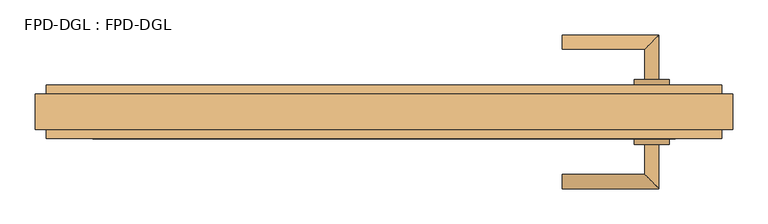
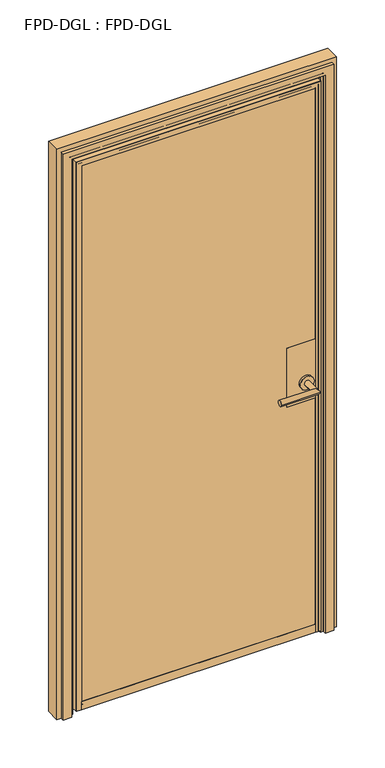
"""IFC4 building model written with IfcOpenShell, lengths in millimetres: door geometry, FPD-DGL : FPD-DGL."""

from ifc_helpers import new_model, si_unit, point, frame, frame_2d, origin, place, context, project, spatial, polyline, circle_curve, ellipse_curve, trimmed, segment, composite_curve, outline, extrude, source, transform, mapped, element, save
from ifc_brep_helpers import plane_surface, cylinder_surface, revolved_surface, advanced_brep


def fpd_dgl_fpd_dgl_efffc4ae(model_context):
    return source(origin(), model_context, "Body", "SolidModel", [
        advanced_brep(
        [(253.353479, -90.4685221, 965.2), (253.353479, -110.5404656, 965.2), (390.275063, -110.5404656, 965.2), (370.2031194, -90.4685221, 965.2), (370.2031194, -47.8342733, 965.2), (390.275063, -47.8342733, 965.2)],
        [
            (0, 1, circle_curve(frame((253.353479, -100.5044938, 965.2), z_axis=(-1.0, 0.0, 0.0), x_axis=(0.0, -1.0, 0.0)), 10.0359718)),
            (1, 0, circle_curve(frame((253.353479, -100.5044938, 965.2), z_axis=(-1.0, 0.0, 0.0), x_axis=(0.0, -1.0, 0.0)), 10.0359718)),
            (1, 2),
            (2, 3, ellipse_curve(frame((380.2390912, -100.5044938, 965.2), z_axis=(-0.7071067811865464, -0.7071067811865488, 0.0), x_axis=(-0.7071067811865487, 0.7071067811865464, 0.0)), 14.1930074, 10.0359718)),
            (3, 0),
            (3, 2, ellipse_curve(frame((380.2390912, -100.5044938, 965.2), z_axis=(-0.7071067811865464, -0.7071067811865488, 0.0), x_axis=(-0.7071067811865487, 0.7071067811865464, 0.0)), 14.1930074, 10.0359718)),
            (4, 5, circle_curve(frame((380.2390912, -47.8342733, 965.2), z_axis=(0.0, 1.0, 0.0), x_axis=(1.0, 0.0, 0.0)), 10.0359718)),
            (5, 4, circle_curve(frame((380.2390912, -47.8342733, 965.2), z_axis=(0.0, 1.0, 0.0), x_axis=(1.0, 0.0, 0.0)), 10.0359718)),
            (2, 5),
            (4, 3),
        ],
        [
            plane_surface(frame((253.353479, -100.5044938, 965.2), z_axis=(-1.0, 0.0, 0.0), x_axis=(0.0, 0.0, 1.0))),
            cylinder_surface(frame((253.353479, -100.5044938, 965.2), z_axis=(-1.0, 0.0, 0.0), x_axis=(0.0, -1.0, 0.0)), 10.0359718),
            plane_surface(frame((380.2390912, -47.8342733, 965.2), z_axis=(0.0, 1.0, 0.0), x_axis=(0.0, 0.0, 1.0))),
            cylinder_surface(frame((380.2390912, -100.5044938, 965.2), z_axis=(0.0, -1.0, 0.0), x_axis=(1.0, 0.0, 0.0)), 10.0359718),
        ],
        [
            (0, [[1, 2]]),
            (1, [[3, 4, 5, -2]]),
            (1, [[-5, 6, -3, -1]]),
            (2, [[7, 8]]),
            (3, [[9, -7, 10, -4]]),
            (3, [[-10, -8, -9, -6]]),
        ],
    ),
        advanced_brep(
        [(370.2031194, 45.029812, 965.2), (390.275063, 45.029812, 965.2), (390.275063, 107.7360043, 965.2), (370.2031194, 87.6640607, 965.2), (253.353479, 87.6640607, 965.2), (253.353479, 107.7360043, 965.2)],
        [
            (0, 1, circle_curve(frame((380.2390912, 45.029812, 965.2), z_axis=(0.0, -1.0, 0.0), x_axis=(1.0, 0.0, 0.0)), 10.0359718)),
            (1, 0, circle_curve(frame((380.2390912, 45.029812, 965.2), z_axis=(0.0, -1.0, 0.0), x_axis=(1.0, 0.0, 0.0)), 10.0359718)),
            (1, 2),
            (2, 3, ellipse_curve(frame((380.2390912, 97.7000325, 965.2), z_axis=(0.7071067811865487, -0.7071067811865464, 0.0), x_axis=(-0.7071067811865464, -0.7071067811865487, 0.0)), 14.1930074, 10.0359718)),
            (3, 0),
            (3, 2, ellipse_curve(frame((380.2390912, 97.7000325, 965.2), z_axis=(0.7071067811865487, -0.7071067811865464, 0.0), x_axis=(-0.7071067811865464, -0.7071067811865487, 0.0)), 14.1930074, 10.0359718)),
            (4, 5, circle_curve(frame((253.353479, 97.7000325, 965.2), z_axis=(-1.0, 0.0, 0.0), x_axis=(0.0, 1.0, 0.0)), 10.0359718)),
            (5, 4, circle_curve(frame((253.353479, 97.7000325, 965.2), z_axis=(-1.0, 0.0, 0.0), x_axis=(0.0, 1.0, 0.0)), 10.0359718)),
            (2, 5),
            (4, 3),
        ],
        [
            plane_surface(frame((380.2390912, 45.029812, 965.2), z_axis=(0.0, -1.0, 0.0), x_axis=(0.0, 0.0, 1.0))),
            cylinder_surface(frame((380.2390912, 45.029812, 965.2), z_axis=(0.0, -1.0, 0.0), x_axis=(1.0, 0.0, 0.0)), 10.0359718),
            plane_surface(frame((253.353479, 97.7000325, 965.2), z_axis=(-1.0, 0.0, 0.0), x_axis=(0.0, 0.0, 1.0))),
            cylinder_surface(frame((380.2390912, 97.7000325, 965.2), z_axis=(1.0, 0.0, 0.0), x_axis=(0.0, 1.0, 0.0)), 10.0359718),
        ],
        [
            (0, [[1, 2]]),
            (1, [[3, 4, 5, -2]]),
            (1, [[-5, 6, -3, -1]]),
            (2, [[7, 8]]),
            (3, [[9, -7, 10, -4]]),
            (3, [[-10, -8, -9, -6]]),
        ],
    ),
        extrude(outline(composite_curve([segment(trimmed(circle_curve(frame_2d((965.2, 380.2390912)), 24.60625), [point((965.2, 355.6328412))], [point((965.2, 404.8453412))], False, "CARTESIAN"), True, "CONTINUOUS"), segment(trimmed(circle_curve(frame_2d((965.2, 380.2390912)), 24.60625), [point((965.2, 404.8453412))], [point((965.2, 355.6328412))], False, "CARTESIAN"), True, "CONTINUOUS")], self_intersect=False)), frame((0.0, 36.7000013, 0.0), z_axis=(0.0, 1.0, 0.0), x_axis=(0.0, 0.0, 1.0)), (0.0, 0.0, 1.0), 8.3298107),
        extrude(outline(composite_curve([segment(trimmed(circle_curve(frame_2d((965.2, 380.2390912)), 24.60625), [point((965.2, 355.6328412))], [point((965.2, 404.8453412))], False, "CARTESIAN"), True, "CONTINUOUS"), segment(trimmed(circle_curve(frame_2d((965.2, 380.2390912)), 24.60625), [point((965.2, 404.8453412))], [point((965.2, 355.6328412))], False, "CARTESIAN"), True, "CONTINUOUS")], self_intersect=False)), frame((0.0, -47.8342733, 0.0), z_axis=(0.0, 1.0, 0.0), x_axis=(0.0, 0.0, 1.0)), (0.0, 0.0, 1.0), 8.3342763),
        extrude(outline(polyline([(413.7391512, 36.7000013), (413.7391512, 35.3000043), (313.7390386, 35.3000043), (313.7390386, 36.7000013), (413.7391512, 36.7000013)])), frame((0.0, 0.0, 893.55), z_axis=(0.0, 0.0, 1.0), x_axis=(1.0, 0.0, 0.0)), (0.0, 0.0, 1.0), 220.0),
        extrude(outline(polyline([(413.7391512, -38.1), (413.7391512, -39.4999971), (313.7390386, -39.4999971), (313.7390386, -38.1), (413.7391512, -38.1)])), frame((0.0, 0.0, 893.55), z_axis=(0.0, 0.0, 1.0), x_axis=(1.0, 0.0, 0.0)), (0.0, 0.0, 1.0), 220.0),
        extrude(outline(composite_curve([segment(polyline([(26.873593, 45.8749402), (26.873593, 35.2749613), (35.5735662, 35.2749613), (35.5735662, 43.0952791), (35.4735665, 44.0749434), (35.4735665, 45.8749402), (36.8735635, 45.8749402), (36.8735635, 16.6749984)]), True, "CONTINUOUS"), segment(trimmed(circle_curve(frame_2d((36.0735651, 16.6749984)), 0.7999984), [point((36.8735635, 16.6749984))], [point((36.0735651, 15.875))], False, "CARTESIAN"), True, "CONTINUOUS"), segment(polyline([(36.0735651, 15.875), (-39.3264365, 15.875), (-39.3264365, 45.8749398), (-38.0994361, 45.8749398), (-38.0994361, 44.0749434), (-38.1994358, 43.0952796), (-38.1994358, 35.7749604)]), True, "CONTINUOUS"), segment(trimmed(circle_curve(frame_2d((-37.6994368, 35.7749604)), 0.499999), [point((-38.1994358, 35.7749604))], [point((-37.6994368, 35.2749614))], True, "CARTESIAN"), True, "CONTINUOUS"), segment(polyline([(-37.6994368, 35.2749614), (-29.3264566, 35.2749614), (-29.3264566, 45.8749402), (26.873593, 45.8749402)]), True, "CONTINUOUS")], self_intersect=False)), frame((-413.7391512, 0.0, 0.0), z_axis=(1.0, 0.0, 0.0), x_axis=(0.0, 1.0, 0.0)), (0.0, 0.0, 1.0), 827.4783024),
        extrude(outline(polyline([(424.3353224, -38.1), (-424.3353224, -38.1), (-424.3353224, -30.1625), (424.3353224, -30.1625), (424.3353224, -38.1)])), frame((0.0, 0.0, 35.2749614), z_axis=(0.0, 0.0, 1.0), x_axis=(1.0, 0.0, 0.0)), (0.0, 0.0, 1.0), 2027.360361),
        extrude(outline(polyline([(424.3353224, 27.5360664), (-424.3353224, 27.5360664), (-424.3353224, 35.4735664), (424.3353224, 35.4735664), (424.3353224, 27.5360664)])), frame((0.0, 0.0, 35.2749614), z_axis=(0.0, 0.0, 1.0), x_axis=(1.0, 0.0, 0.0)), (0.0, 0.0, 1.0), 2027.360361),
        advanced_brep(
        [(443.7283146, 36.773661, 15.875), (443.7283146, -15.2497043, 15.875), (433.4136523, -15.2497043, 15.875), (433.4136523, -38.5992554, 15.875), (432.6139413, -39.3989664, 15.875), (413.7391512, -39.3989664, 15.875), (413.7391512, -38.0994361, 15.875), (424.3353223, -38.0994361, 15.875), (424.3353223, -29.4025787, 15.875), (413.7391512, -29.4025787, 15.875), (413.7391512, 26.7772734, 15.875), (424.3353224, 26.7772734, 15.875), (424.3353224, 35.4741304, 15.875), (413.7391512, 35.4741304, 15.875), (413.7391512, 36.773661, 15.875), (413.7391512, 36.773661, 2052.0391512), (-413.7391512, 36.773661, 2052.0391512), (-413.7391512, 36.773661, 15.875), (-443.7283146, 36.773661, 15.875), (-443.7283146, 36.773661, 2082.0283146), (443.7283146, 36.773661, 2082.0283146), (413.7391512, 35.4741304, 2052.0391512), (424.3353224, 35.4741304, 2062.6353224), (-424.3353224, 35.4741304, 2062.6353224), (-424.3353224, 35.4741304, 15.875), (-413.7391512, 35.4741304, 15.875), (-413.7391512, 35.4741304, 2052.0391512), (424.3353224, 26.7772734, 2062.6353224), (413.7391512, 26.7772734, 2052.0391512), (-413.7391512, 26.7772734, 2052.0391512), (-413.7391512, 26.7772734, 15.875), (-424.3353224, 26.7772734, 15.875), (-424.3353224, 26.7772734, 2062.6353224), (413.7391512, -29.4025787, 2052.0391512), (424.3353223, -29.4025787, 2062.6353223), (-424.3353223, -29.4025787, 2062.6353223), (-424.3353223, -29.4025787, 15.875), (-413.7391512, -29.4025787, 15.875), (-413.7391512, -29.4025787, 2052.0391512), (424.3353223, -38.0994361, 2062.6353223), (413.7391512, -38.0994361, 2052.0391512), (-413.7391512, -38.0994361, 2052.0391512), (-413.7391512, -38.0994361, 15.875), (-424.3353223, -38.0994361, 15.875), (-424.3353223, -38.0994361, 2062.6353223), (413.7391512, -39.3989664, 2052.0391512), (432.6139413, -39.3989664, 2070.9139413), (-432.6139413, -39.3989664, 2070.9139413), (-432.6139413, -39.3989664, 15.875), (-413.7391512, -39.3989664, 15.875), (-413.7391512, -39.3989664, 2052.0391512), (433.4136523, -38.5992554, 2071.7136523), (433.4136523, -15.2497043, 2071.7136523), (443.7283146, -15.2497043, 2082.0283146), (-443.7283146, -15.2497043, 2082.0283146), (-443.7283146, -15.2497043, 15.875), (-433.4136523, -15.2497043, 15.875), (-433.4136523, -15.2497043, 2071.7136523), (-433.4136523, -38.5992554, 15.875), (-433.4136523, -38.5992554, 2071.7136523)],
        [
            (0, 1),
            (1, 2),
            (2, 3),
            (3, 4, circle_curve(frame((432.6139413, -38.5992554, 15.875), z_axis=(0.0, 0.0, -1.0), x_axis=(0.0, 1.0, 0.0)), 0.799711)),
            (4, 5),
            (5, 6),
            (6, 7),
            (7, 8),
            (8, 9),
            (9, 10),
            (10, 11),
            (11, 12),
            (12, 13),
            (13, 14),
            (14, 0),
            (14, 15),
            (15, 16),
            (16, 17),
            (17, 18),
            (18, 19),
            (19, 20),
            (20, 0),
            (13, 21),
            (21, 15),
            (12, 22),
            (22, 23),
            (23, 24),
            (24, 25),
            (25, 26),
            (26, 21),
            (11, 27),
            (27, 22),
            (10, 28),
            (28, 29),
            (29, 30),
            (30, 31),
            (31, 32),
            (32, 27),
            (9, 33),
            (33, 28),
            (8, 34),
            (34, 35),
            (35, 36),
            (36, 37),
            (37, 38),
            (38, 33),
            (7, 39),
            (39, 34),
            (6, 40),
            (40, 41),
            (41, 42),
            (42, 43),
            (43, 44),
            (44, 39),
            (5, 45),
            (45, 40),
            (4, 46),
            (46, 47),
            (47, 48),
            (48, 49),
            (49, 50),
            (50, 45),
            (3, 51),
            (51, 46, ellipse_curve(frame((432.6139413, -38.5992554, 2070.9139413), z_axis=(0.7071067811865475, 0.0, -0.7071067811865475), x_axis=(-0.7071067811865474, 0.0, -0.7071067811865476)), 1.1309622, 0.799711)),
            (2, 52),
            (52, 51),
            (1, 53),
            (53, 54),
            (54, 55),
            (55, 56),
            (56, 57),
            (57, 52),
            (20, 53),
            (17, 25),
            (24, 31),
            (30, 37),
            (36, 43),
            (42, 49),
            (48, 58, circle_curve(frame((-432.6139413, -38.5992554, 15.875), z_axis=(0.0, 0.0, -1.0), x_axis=(0.0, 1.0, 0.0)), 0.799711)),
            (58, 56),
            (55, 18),
            (54, 19),
            (58, 59),
            (59, 57),
            (47, 59, ellipse_curve(frame((-432.6139413, -38.5992554, 2070.9139413), z_axis=(-0.7071067811865475, 0.0, -0.7071067811865475), x_axis=(-0.7071067811865474, 0.0, 0.7071067811865476)), 1.1309622, 0.799711)),
            (41, 50),
            (35, 44),
            (29, 38),
            (23, 32),
            (16, 26),
            (51, 59),
        ],
        [
            plane_surface(frame((495.3, -1.3129348, 15.875), z_axis=(0.0, 0.0, -1.0), x_axis=(0.0, 1.0, 0.0))),
            plane_surface(frame((443.7283146, 36.773661, 15.875), z_axis=(0.0, 1.0, 0.0), x_axis=(0.0, 0.0, 1.0))),
            plane_surface(frame((413.7391512, 36.773661, 15.875), z_axis=(-1.0, 0.0, 0.0), x_axis=(0.0, 0.0, 1.0))),
            plane_surface(frame((413.7391512, 35.4741304, 15.875), z_axis=(0.0, -1.0, 0.0), x_axis=(0.0, 0.0, 1.0))),
            plane_surface(frame((424.3353224, 35.4741304, 15.875), z_axis=(-1.0, 0.0, 0.0), x_axis=(0.0, 0.0, 1.0))),
            plane_surface(frame((424.3353224, 26.7772734, 15.875), z_axis=(0.0, 1.0, 0.0), x_axis=(0.0, 0.0, 1.0))),
            plane_surface(frame((413.7391512, 26.7772734, 15.875), z_axis=(-1.0, 0.0, 0.0), x_axis=(0.0, 0.0, 1.0))),
            plane_surface(frame((413.7391512, -29.4025787, 15.875), z_axis=(0.0, -1.0, 0.0), x_axis=(0.0, 0.0, 1.0))),
            plane_surface(frame((424.3353223, -29.4025787, 15.875), z_axis=(-1.0, 0.0, 0.0), x_axis=(0.0, 0.0, 1.0))),
            plane_surface(frame((424.3353223, -38.0994361, 15.875), z_axis=(0.0, 1.0, 0.0), x_axis=(0.0, 0.0, 1.0))),
            plane_surface(frame((413.7391512, -38.0994361, 15.875), z_axis=(-1.0, 0.0, 0.0), x_axis=(0.0, 0.0, 1.0))),
            plane_surface(frame((413.7391512, -39.3989664, 15.875), z_axis=(0.0, -1.0, 0.0), x_axis=(0.0, 0.0, 1.0))),
            cylinder_surface(frame((432.6139413, -38.5992554, 15.875), z_axis=(0.0, 0.0, -1.0), x_axis=(0.0, 1.0, 0.0)), 0.799711),
            plane_surface(frame((433.4136523, -38.5992554, 15.875), z_axis=(1.0, 0.0, 0.0), x_axis=(0.0, 0.0, 1.0))),
            plane_surface(frame((433.4136523, -15.2497043, 15.875), z_axis=(0.0, -1.0, 0.0), x_axis=(0.0, 0.0, 1.0))),
            plane_surface(frame((443.7283146, -15.2497043, 15.875), z_axis=(1.0, 0.0, 0.0), x_axis=(0.0, 0.0, 1.0))),
            plane_surface(frame((-495.3, -1.3129348, 15.875), z_axis=(0.0, 0.0, -1.0), x_axis=(0.0, 1.0, 0.0))),
            plane_surface(frame((-443.7283146, -15.2497043, 2082.0283146), z_axis=(-1.0, 0.0, 0.0), x_axis=(0.0, 0.0, -1.0))),
            plane_surface(frame((-433.4136523, -38.5992554, 2071.7136523), z_axis=(-1.0, 0.0, 0.0), x_axis=(0.0, 0.0, -1.0))),
            cylinder_surface(frame((-432.6139413, -38.5992554, 2133.6), z_axis=(0.0, 0.0, 1.0), x_axis=(0.0, 1.0, 0.0)), 0.799711),
            plane_surface(frame((-413.7391512, -38.0994361, 2052.0391512), z_axis=(1.0, 0.0, 0.0), x_axis=(0.0, 0.0, -1.0))),
            plane_surface(frame((-424.3353223, -29.4025787, 2062.6353223), z_axis=(1.0, 0.0, 0.0), x_axis=(0.0, 0.0, -1.0))),
            plane_surface(frame((-413.7391512, 26.7772734, 2052.0391512), z_axis=(1.0, 0.0, 0.0), x_axis=(0.0, 0.0, -1.0))),
            plane_surface(frame((-424.3353224, 35.4741304, 2062.6353224), z_axis=(1.0, 0.0, 0.0), x_axis=(0.0, 0.0, -1.0))),
            plane_surface(frame((-413.7391512, 36.773661, 2052.0391512), z_axis=(1.0, 0.0, 0.0), x_axis=(0.0, 0.0, -1.0))),
            plane_surface(frame((413.7391512, 36.773661, 2052.0391512), z_axis=(0.0, 0.0, -1.0), x_axis=(-1.0, 0.0, 0.0))),
            plane_surface(frame((424.3353224, 35.4741304, 2062.6353224), z_axis=(0.0, 0.0, -1.0), x_axis=(-1.0, 0.0, 0.0))),
            plane_surface(frame((413.7391512, 26.7772734, 2052.0391512), z_axis=(0.0, 0.0, -1.0), x_axis=(-1.0, 0.0, 0.0))),
            plane_surface(frame((424.3353223, -29.4025787, 2062.6353223), z_axis=(0.0, 0.0, -1.0), x_axis=(-1.0, 0.0, 0.0))),
            plane_surface(frame((413.7391512, -38.0994361, 2052.0391512), z_axis=(0.0, 0.0, -1.0), x_axis=(-1.0, 0.0, 0.0))),
            cylinder_surface(frame((495.3, -38.5992554, 2070.9139413), z_axis=(1.0, 0.0, 0.0), x_axis=(0.0, 1.0, 0.0)), 0.799711),
            plane_surface(frame((433.4136523, -38.5992554, 2071.7136523), z_axis=(0.0, 0.0, 1.0), x_axis=(-1.0, 0.0, 0.0))),
            plane_surface(frame((443.7283146, -15.2497043, 2082.0283146), z_axis=(0.0, 0.0, 1.0), x_axis=(-1.0, 0.0, 0.0))),
        ],
        [
            (0, [[1, 2, 3, 4, 5, 6, 7, 8, 9, 10, 11, 12, 13, 14, 15]]),
            (1, [[16, 17, 18, 19, 20, 21, 22, -15]]),
            (2, [[23, 24, -16, -14]]),
            (3, [[25, 26, 27, 28, 29, 30, -23, -13]]),
            (4, [[31, 32, -25, -12]]),
            (5, [[33, 34, 35, 36, 37, 38, -31, -11]]),
            (6, [[39, 40, -33, -10]]),
            (7, [[41, 42, 43, 44, 45, 46, -39, -9]]),
            (8, [[47, 48, -41, -8]]),
            (9, [[49, 50, 51, 52, 53, 54, -47, -7]]),
            (10, [[55, 56, -49, -6]]),
            (11, [[57, 58, 59, 60, 61, 62, -55, -5]]),
            (12, [[63, 64, -57, -4]]),
            (13, [[65, 66, -63, -3]]),
            (14, [[67, 68, 69, 70, 71, 72, -65, -2]]),
            (15, [[-22, 73, -67, -1]]),
            (16, [[-19, 74, -28, 75, -36, 76, -44, 77, -52, 78, -60, 79, 80, -70, 81]]),
            (17, [[-20, -81, -69, 82]]),
            (18, [[-71, -80, 83, 84]]),
            (19, [[-83, -79, -59, 85]]),
            (20, [[-61, -78, -51, 86]]),
            (21, [[-53, -77, -43, 87]]),
            (22, [[-45, -76, -35, 88]]),
            (23, [[-37, -75, -27, 89]]),
            (24, [[-29, -74, -18, 90]]),
            (25, [[-30, -90, -17, -24]]),
            (26, [[-38, -89, -26, -32]]),
            (27, [[-46, -88, -34, -40]]),
            (28, [[-54, -87, -42, -48]]),
            (29, [[-62, -86, -50, -56]]),
            (30, [[91, -85, -58, -64]]),
            (31, [[-72, -84, -91, -66]]),
            (32, [[-21, -82, -68, -73]]),
        ],
    ),
        advanced_brep(
        [(449.2825687, 36.7733949, 0.0), (479.4398079, 36.7733949, 0.0), (479.4306354, 24.077941, 0.0), (495.3, 24.077941, 0.0), (495.3, -26.7038106, 0.0), (479.4306354, -26.7038106, 0.0), (479.4306354, -39.3989331, 0.0), (449.2836545, -39.3989331, 0.0), (449.2836545, -27.2680787, 0.0), (448.7238697, -26.7082939, 0.0), (439.0164807, -26.7082939, 0.0), (438.4560471, -26.1478604, 0.0), (438.4560471, -19.4632053, 0.0), (439.0163882, -18.9028642, 0.0), (448.3580671, -18.9028642, 0.0), (448.3580671, -15.2860271, 0.0), (449.2825687, -15.2860271, 0.0), (449.2825687, -15.2860271, 2087.5825687), (449.2825687, 36.7733949, 2087.5825687), (448.3580671, -15.2860271, 2086.6580671), (-448.3580671, -15.2860271, 2086.6580671), (-448.3580671, -15.2860271, 0.0), (-449.2825687, -15.2860271, 0.0), (-449.2825687, -15.2860271, 2087.5825687), (448.3580671, -18.9028642, 2086.6580671), (439.0163882, -18.9028642, 2077.3163882), (-439.0163882, -18.9028642, 2077.3163882), (-439.0163882, -18.9028642, 0.0), (-448.3580671, -18.9028642, 0.0), (-448.3580671, -18.9028642, 2086.6580671), (438.4560471, -19.4632053, 2076.7560471), (438.4560471, -26.1478604, 2076.7560471), (439.0164807, -26.7082939, 2077.3164807), (448.7238697, -26.7082939, 2087.0238697), (-448.7238697, -26.7082939, 2087.0238697), (-448.7238697, -26.7082939, 0.0), (-439.0164807, -26.7082939, 0.0), (-439.0164807, -26.7082939, 2077.3164807), (449.2836545, -27.2680787, 2087.5836545), (449.2836545, -39.3989331, 2087.5836545), (-449.2825687, 36.7733949, 0.0), (-438.4560471, -19.4632053, 0.0), (-438.4560471, -26.1478604, 0.0), (-449.2836545, -27.2680787, 0.0), (-449.2836545, -39.3989331, 0.0), (-479.4306354, -39.3989331, 0.0), (-479.4306354, -26.7038106, 0.0), (-495.3, -26.7038106, 0.0), (-495.3, 24.077941, 0.0), (-479.4306354, 24.077941, 0.0), (-479.4398079, 36.7733949, 0.0), (-449.2836545, -39.3989331, 2087.5836545), (-449.2836545, -27.2680787, 2087.5836545), (-438.4560471, -26.1478604, 2076.7560471), (-438.4560471, -19.4632053, 2076.7560471), (-449.2825687, 36.7733949, 2087.5825687), (479.4306354, -39.3989331, 2117.7306354), (-479.4306354, -39.3989331, 2117.7306354), (479.4306354, -26.7038106, 2117.7306354), (495.3, -26.7038106, 2133.6), (-495.3, -26.7038106, 2133.6), (-479.4306354, -26.7038106, 2117.7306354), (495.3, 24.077941, 2133.6), (479.4306354, 24.077941, 2117.7306354), (-479.4306354, 24.077941, 2117.7306354), (-495.3, 24.077941, 2133.6), (479.4398079, 36.7733949, 2117.7398079), (-479.4398079, 36.7733949, 2117.7398079)],
        [
            (0, 1),
            (1, 2),
            (2, 3),
            (3, 4),
            (4, 5),
            (5, 6),
            (6, 7),
            (7, 8),
            (8, 9, circle_curve(frame((448.7238697, -27.2680787, 0.0), z_axis=(0.0, 0.0, 1.0), x_axis=(0.0, 1.0, 0.0)), 0.5597848)),
            (9, 10),
            (10, 11, circle_curve(frame((439.0164807, -26.1478604, 0.0), z_axis=(0.0, 0.0, -1.0), x_axis=(0.0, 1.0, 0.0)), 0.5604335)),
            (11, 12),
            (12, 13, circle_curve(frame((439.0163882, -19.4632053, 0.0), z_axis=(0.0, 0.0, -1.0), x_axis=(0.0, 1.0, 0.0)), 0.5603411)),
            (13, 14),
            (14, 15),
            (15, 16),
            (16, 0),
            (16, 17),
            (17, 18),
            (18, 0),
            (15, 19),
            (19, 20),
            (20, 21),
            (21, 22),
            (22, 23),
            (23, 17),
            (14, 24),
            (24, 19),
            (13, 25),
            (25, 26),
            (26, 27),
            (27, 28),
            (28, 29),
            (29, 24),
            (12, 30),
            (30, 25, ellipse_curve(frame((439.0163882, -19.4632053, 2077.3163882), z_axis=(0.7071067811865475, 0.0, -0.7071067811865475), x_axis=(-0.7071067811865474, 0.0, -0.7071067811865476)), 0.7924419, 0.5603411)),
            (11, 31),
            (31, 30),
            (10, 32),
            (32, 31, ellipse_curve(frame((439.0164807, -26.1478604, 2077.3164807), z_axis=(0.7071067811865475, 0.0, -0.7071067811865475), x_axis=(-0.7071067811865474, 0.0, -0.7071067811865476)), 0.7925727, 0.5604335)),
            (9, 33),
            (33, 34),
            (34, 35),
            (35, 36),
            (36, 37),
            (37, 32),
            (8, 38),
            (38, 33, ellipse_curve(frame((448.7238697, -27.2680787, 2087.0238697), z_axis=(-0.7071067811865475, 0.0, 0.7071067811865475), x_axis=(0.7071067811865474, 0.0, 0.7071067811865476)), 0.7916552, 0.5597848)),
            (7, 39),
            (39, 38),
            (40, 22),
            (21, 28),
            (27, 41, circle_curve(frame((-439.0163882, -19.4632053, 0.0), z_axis=(0.0, 0.0, -1.0), x_axis=(0.0, 1.0, 0.0)), 0.5603411)),
            (41, 42),
            (42, 36, circle_curve(frame((-439.0164807, -26.1478604, 0.0), z_axis=(0.0, 0.0, -1.0), x_axis=(0.0, 1.0, 0.0)), 0.5604335)),
            (35, 43, circle_curve(frame((-448.7238697, -27.2680787, 0.0), z_axis=(0.0, 0.0, 1.0), x_axis=(0.0, 1.0, 0.0)), 0.5597848)),
            (43, 44),
            (44, 45),
            (45, 46),
            (46, 47),
            (47, 48),
            (48, 49),
            (49, 50),
            (50, 40),
            (51, 44),
            (43, 52),
            (52, 51),
            (34, 52, ellipse_curve(frame((-448.7238697, -27.2680787, 2087.0238697), z_axis=(0.7071067811865475, 0.0, 0.7071067811865475), x_axis=(0.7071067811865474, 0.0, -0.7071067811865476)), 0.7916552, 0.5597848)),
            (42, 53),
            (53, 37, ellipse_curve(frame((-439.0164807, -26.1478604, 2077.3164807), z_axis=(-0.7071067811865475, 0.0, -0.7071067811865475), x_axis=(-0.7071067811865474, 0.0, 0.7071067811865476)), 0.7925727, 0.5604335)),
            (41, 54),
            (54, 53),
            (26, 54, ellipse_curve(frame((-439.0163882, -19.4632053, 2077.3163882), z_axis=(-0.7071067811865475, 0.0, -0.7071067811865475), x_axis=(-0.7071067811865474, 0.0, 0.7071067811865476)), 0.7924419, 0.5603411)),
            (20, 29),
            (40, 55),
            (55, 23),
            (55, 18),
            (30, 54),
            (31, 53),
            (38, 52),
            (39, 51),
            (6, 56),
            (56, 57),
            (57, 45),
            (5, 58),
            (58, 56),
            (4, 59),
            (59, 60),
            (60, 47),
            (46, 61),
            (61, 58),
            (3, 62),
            (62, 59),
            (2, 63),
            (63, 64),
            (64, 49),
            (48, 65),
            (65, 62),
            (1, 66),
            (66, 63),
            (50, 67),
            (67, 66),
            (64, 67),
            (60, 65),
            (57, 61),
        ],
        [
            plane_surface(frame((495.3, -1.3129348, 0.0), z_axis=(0.0, 0.0, -1.0), x_axis=(0.0, 1.0, 0.0))),
            plane_surface(frame((449.2825687, 36.7733949, 0.0), z_axis=(-1.0, 0.0, 0.0), x_axis=(0.0, 0.0, 1.0))),
            plane_surface(frame((449.2825687, -15.2860271, 0.0), z_axis=(0.0, 1.0, 0.0), x_axis=(0.0, 0.0, 1.0))),
            plane_surface(frame((448.3580671, -15.2860271, 0.0), z_axis=(-1.0, 0.0, 0.0), x_axis=(0.0, 0.0, 1.0))),
            plane_surface(frame((448.3580671, -18.9028642, 0.0), z_axis=(0.0, 1.0, 0.0), x_axis=(0.0, 0.0, 1.0))),
            cylinder_surface(frame((439.0163882, -19.4632053, 0.0), z_axis=(0.0, 0.0, -1.0), x_axis=(0.0, 1.0, 0.0)), 0.5603411),
            plane_surface(frame((438.4560471, -19.4632053, 0.0), z_axis=(-1.0, 0.0, 0.0), x_axis=(0.0, 0.0, 1.0))),
            cylinder_surface(frame((439.0164807, -26.1478604, 0.0), z_axis=(0.0, 0.0, -1.0), x_axis=(0.0, 1.0, 0.0)), 0.5604335),
            plane_surface(frame((439.0164807, -26.7082939, 0.0), z_axis=(0.0, -1.0, 0.0), x_axis=(0.0, 0.0, 1.0))),
            revolved_surface(polyline([(448.7238697, -26.7082939, 2087.5836545), (448.7238697, -26.7082939, 0.0)]), (448.7238697, -27.2680787, 0.0), (0.0, 0.0, 1.0)),
            plane_surface(frame((449.2836545, -27.2680787, 0.0), z_axis=(-1.0, 0.0, 0.0), x_axis=(0.0, 0.0, 1.0))),
            plane_surface(frame((-495.3, -1.3129348, 0.0), z_axis=(0.0, 0.0, -1.0), x_axis=(0.0, 1.0, 0.0))),
            plane_surface(frame((-449.2836545, -27.2680787, 2087.5836545), z_axis=(1.0, 0.0, 0.0), x_axis=(0.0, 0.0, -1.0))),
            revolved_surface(polyline([(-448.7238697, -26.7082939, 0.0), (-448.7238697, -26.7082939, 2087.5836545)]), (-448.7238697, -27.2680787, 2133.6), (0.0, 0.0, -1.0)),
            cylinder_surface(frame((-439.0164807, -26.1478604, 2133.6), z_axis=(0.0, 0.0, 1.0), x_axis=(0.0, 1.0, 0.0)), 0.5604335),
            plane_surface(frame((-438.4560471, -19.4632053, 2076.7560471), z_axis=(1.0, 0.0, 0.0), x_axis=(0.0, 0.0, -1.0))),
            cylinder_surface(frame((-439.0163882, -19.4632053, 2133.6), z_axis=(0.0, 0.0, 1.0), x_axis=(0.0, 1.0, 0.0)), 0.5603411),
            plane_surface(frame((-448.3580671, -15.2860271, 2086.6580671), z_axis=(1.0, 0.0, 0.0), x_axis=(0.0, 0.0, -1.0))),
            plane_surface(frame((-449.2825687, 36.7733949, 2087.5825687), z_axis=(1.0, 0.0, 0.0), x_axis=(0.0, 0.0, -1.0))),
            plane_surface(frame((449.2825687, 36.7733949, 2087.5825687), z_axis=(0.0, 0.0, -1.0), x_axis=(-1.0, 0.0, 0.0))),
            plane_surface(frame((448.3580671, -15.2860271, 2086.6580671), z_axis=(0.0, 0.0, -1.0), x_axis=(-1.0, 0.0, 0.0))),
            cylinder_surface(frame((495.3, -19.4632053, 2077.3163882), z_axis=(1.0, 0.0, 0.0), x_axis=(0.0, 1.0, 0.0)), 0.5603411),
            plane_surface(frame((438.4560471, -19.4632053, 2076.7560471), z_axis=(0.0, 0.0, -1.0), x_axis=(-1.0, 0.0, 0.0))),
            cylinder_surface(frame((495.3, -26.1478604, 2077.3164807), z_axis=(1.0, 0.0, 0.0), x_axis=(0.0, 1.0, 0.0)), 0.5604335),
            revolved_surface(polyline([(-449.28365449999995, -26.7082939, 2087.0238697), (449.2836545, -26.7082939, 2087.0238697)]), (495.3, -27.2680787, 2087.0238697), (-1.0, 0.0, 0.0)),
            plane_surface(frame((449.2836545, -27.2680787, 2087.5836545), z_axis=(0.0, 0.0, -1.0), x_axis=(-1.0, 0.0, 0.0))),
            plane_surface(frame((449.2836545, -39.3989331, 0.0), z_axis=(0.0, -1.0, 0.0), x_axis=(0.0, 0.0, 1.0))),
            plane_surface(frame((479.4306354, -39.3989331, 0.0), z_axis=(1.0, 0.0, 0.0), x_axis=(0.0, 0.0, 1.0))),
            plane_surface(frame((479.4306354, -26.7038106, 0.0), z_axis=(0.0, -1.0, 0.0), x_axis=(0.0, 0.0, 1.0))),
            plane_surface(frame((495.3, -26.7038106, 0.0), z_axis=(1.0, 0.0, 0.0), x_axis=(0.0, 0.0, 1.0))),
            plane_surface(frame((495.3, 24.077941, 0.0), z_axis=(0.0, 1.0, 0.0), x_axis=(0.0, 0.0, 1.0))),
            plane_surface(frame((479.4306354, 24.077941, 0.0), z_axis=(0.9999997389927424, -0.0007225056727437096, 0.0), x_axis=(0.0, 0.0, 1.0))),
            plane_surface(frame((479.4398079, 36.7733949, 0.0), z_axis=(0.0, 1.0, 0.0), x_axis=(0.0, 0.0, 1.0))),
            plane_surface(frame((-479.4306354, 24.077941, 2117.7306354), z_axis=(-0.9999997389927424, -0.0007225056727437096, 0.0), x_axis=(0.0, 0.0, -1.0))),
            plane_surface(frame((-495.3, -26.7038106, 2133.6), z_axis=(-1.0, 0.0, 0.0), x_axis=(0.0, 0.0, -1.0))),
            plane_surface(frame((-479.4306354, -39.3989331, 2117.7306354), z_axis=(-1.0, 0.0, 0.0), x_axis=(0.0, 0.0, -1.0))),
            plane_surface(frame((479.4306354, -39.3989331, 2117.7306354), z_axis=(0.0, 0.0, 1.0), x_axis=(-1.0, 0.0, 0.0))),
            plane_surface(frame((495.3, -26.7038106, 2133.6), z_axis=(0.0, 0.0, 1.0), x_axis=(-1.0, 0.0, 0.0))),
            plane_surface(frame((479.4306354, 24.077941, 2117.7306354), z_axis=(0.0, -0.0007225056727437096, 0.9999997389927424), x_axis=(-1.0, 0.0, 0.0))),
        ],
        [
            (0, [[1, 2, 3, 4, 5, 6, 7, 8, 9, 10, 11, 12, 13, 14, 15, 16, 17]]),
            (1, [[18, 19, 20, -17]]),
            (2, [[21, 22, 23, 24, 25, 26, -18, -16]]),
            (3, [[27, 28, -21, -15]]),
            (4, [[29, 30, 31, 32, 33, 34, -27, -14]]),
            (5, [[35, 36, -29, -13]]),
            (6, [[37, 38, -35, -12]]),
            (7, [[39, 40, -37, -11]]),
            (8, [[41, 42, 43, 44, 45, 46, -39, -10]]),
            (9, [[47, 48, -41, -9]]),
            (10, [[49, 50, -47, -8]]),
            (11, [[51, -24, 52, -32, 53, 54, 55, -44, 56, 57, 58, 59, 60, 61, 62, 63, 64]]),
            (12, [[65, -57, 66, 67]]),
            (13, [[-66, -56, -43, 68]]),
            (14, [[-45, -55, 69, 70]]),
            (15, [[-69, -54, 71, 72]]),
            (16, [[-71, -53, -31, 73]]),
            (17, [[-33, -52, -23, 74]]),
            (18, [[-25, -51, 75, 76]]),
            (19, [[-26, -76, 77, -19]]),
            (20, [[-34, -74, -22, -28]]),
            (21, [[78, -73, -30, -36]]),
            (22, [[79, -72, -78, -38]]),
            (23, [[-46, -70, -79, -40]]),
            (24, [[80, -68, -42, -48]]),
            (25, [[81, -67, -80, -50]]),
            (26, [[82, 83, 84, -58, -65, -81, -49, -7]]),
            (27, [[85, 86, -82, -6]]),
            (28, [[87, 88, 89, -60, 90, 91, -85, -5]]),
            (29, [[92, 93, -87, -4]]),
            (30, [[94, 95, 96, -62, 97, 98, -92, -3]]),
            (31, [[99, 100, -94, -2]]),
            (32, [[-20, -77, -75, -64, 101, 102, -99, -1]]),
            (33, [[-101, -63, -96, 103]]),
            (34, [[-97, -61, -89, 104]]),
            (35, [[-90, -59, -84, 105]]),
            (36, [[-91, -105, -83, -86]]),
            (37, [[-98, -104, -88, -93]]),
            (38, [[-102, -103, -95, -100]]),
        ],
    ),
    ])


if __name__ == "__main__":
    model = new_model("IFC4")
    model_context = context("Model", 3, world=origin())
    ifc_project = project(units=[si_unit("LENGTHUNIT", "METRE", prefix="MILLI")], contexts=[model_context])
    site = spatial("IfcSite", under=ifc_project)
    building = spatial("IfcBuilding", under=site)
    placement = place(None, origin())
    fpd_dgl_fpd_dgl_shape = fpd_dgl_fpd_dgl_efffc4ae(model_context)
    element("IfcDoor", 1, ObjectType="FPD-DGL : FPD-DGL", at=placement, inside=building, context=model_context, shape_type="MappedRepresentation", body=[
        mapped(fpd_dgl_fpd_dgl_shape, transform((0.0, 0.0, 0.0), x_axis=(1.0, 0.0, 0.0), y_axis=(0.0, 1.0, 0.0), z_axis=(0.0, 0.0, 1.0))),
    ])
    save(model, "model.ifc")
